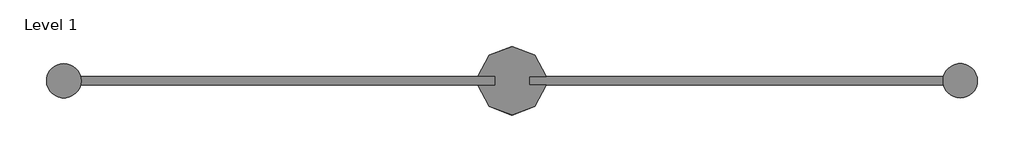
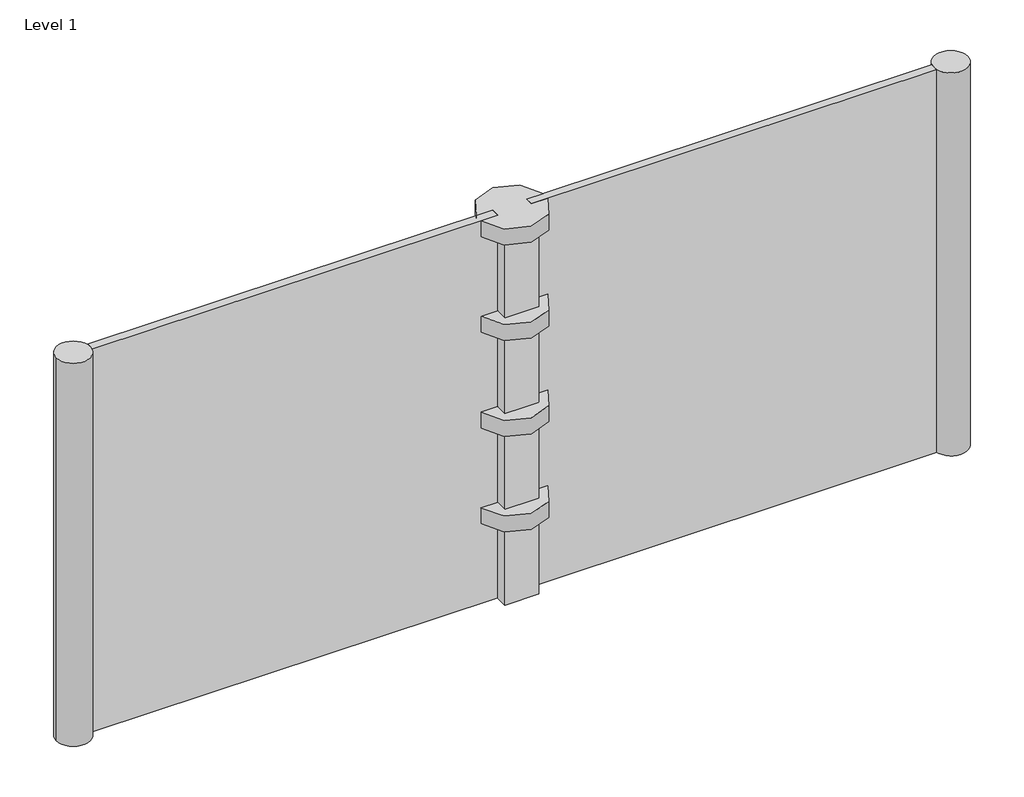
# One storey: 12 furniture elements.
"""IFC4 building model written with IfcOpenShell, lengths in millimetres."""

import ifcopenshell
import ifcopenshell.guid

model = None  # the IFC model being written
_history = None  # IfcOwnerHistory: only IFC2X3 demands one
_inside = {}  # id of a spatial element -> (the spatial element, [elements in it])
_under = {}  # id of a project, library or spatial element -> (it, [spatial elements below it])
_declared = {}  # id of a project -> (the project, [libraries it declares])
_typed = {}  # id of a type object -> (the type object, [elements of that type])
_made_of = {}  # id of a material, layer set ... -> (it, [elements and type objects made of it])


def new_model(schema):
    """Start an empty IFC model of exactly this schema.

    Asked for "IFC4X3", IfcOpenShell would pick the latest addendum, in which some entities
    have other attributes; the version numbers below select the first issue.
    IFC2X3 requires an IfcOwnerHistory on every rooted entity: one is made here for all.
    """
    global model, _history
    if schema == "IFC4X3":
        model = ifcopenshell.file(schema_version=(4, 3, 0, 0))
    else:
        model = ifcopenshell.file(schema=schema)
    _inside.clear()
    _under.clear()
    _declared.clear()
    _typed.clear()
    _made_of.clear()
    _history = None
    if model.schema == "IFC2X3":
        org = make("IfcOrganization", Name="unknown")
        user = make(
            "IfcPersonAndOrganization",
            ThePerson=make("IfcPerson", FamilyName="unknown"),
            TheOrganization=org,
        )
        app = make(
            "IfcApplication",
            ApplicationDeveloper=org,
            Version="unknown",
            ApplicationFullName="unknown",
            ApplicationIdentifier="unknown",
        )
        _history = make(
            "IfcOwnerHistory",
            OwningUser=user,
            OwningApplication=app,
            ChangeAction="ADDED",
            CreationDate=0,
        )
    return model


def make(cls, **values):
    """One entity of the class cls with the attributes given. An attribute that is None is left unset."""
    return model.create_entity(
        cls, **{name: value for name, value in values.items() if value is not None}
    )


def rooted(cls, **values):
    """An entity with a GlobalId (a new one), such as an element, a storey or a relation."""
    return make(cls, GlobalId=ifcopenshell.guid.new(), OwnerHistory=_history, **values)


def si_unit(unit_type, name, prefix=None):
    """IfcSIUnit, for example si_unit("LENGTHUNIT", "METRE", prefix="MILLI")."""
    return make("IfcSIUnit", UnitType=unit_type, Prefix=prefix, Name=name)


def assignment(units):
    """IfcUnitAssignment: the units of a project."""
    return None if units is None else make("IfcUnitAssignment", Units=units)


def point(xyz):
    """IfcCartesianPoint."""
    return None if xyz is None else make("IfcCartesianPoint", Coordinates=xyz)


def direction(xyz):
    """IfcDirection."""
    return None if xyz is None else make("IfcDirection", DirectionRatios=xyz)


def frame(location, z_axis=None, x_axis=None):
    """IfcAxis2Placement3D, a coordinate frame: its origin and axes. An axis left out is left unset."""
    return make(
        "IfcAxis2Placement3D",
        Location=point(location),
        Axis=direction(z_axis),
        RefDirection=direction(x_axis),
    )


def frame_2d(location, x_axis=None):
    """IfcAxis2Placement2D, a coordinate frame in the plane: its origin and x axis."""
    return make(
        "IfcAxis2Placement2D", Location=point(location), RefDirection=direction(x_axis)
    )


def origin():
    """The frame at (0, 0, 0) with its axes left unset."""
    return frame((0.0, 0.0, 0.0))


def origin_with_axes():
    """The frame at (0, 0, 0) with the z axis (0, 0, 1) and the x axis (1, 0, 0) written out."""
    return frame((0.0, 0.0, 0.0), z_axis=(0.0, 0.0, 1.0), x_axis=(1.0, 0.0, 0.0))


def origin_2d():
    """The frame at (0, 0) in the plane with its x axis left unset."""
    return frame_2d((0.0, 0.0))


def place(relative_to, where):
    """IfcLocalPlacement: puts the frame where relative to a parent placement (None: the world)."""
    return make(
        "IfcLocalPlacement", PlacementRelTo=relative_to, RelativePlacement=where
    )


def context(
    kind, dimensions, precision=None, world=None, true_north=None, identifier=None
):
    """IfcGeometricRepresentationContext, for example the 3D "Model" context."""
    return make(
        "IfcGeometricRepresentationContext",
        ContextIdentifier=identifier,
        ContextType=kind,
        CoordinateSpaceDimension=dimensions,
        Precision=precision,
        WorldCoordinateSystem=world,
        TrueNorth=true_north,
    )


def project(units=None, contexts=None):
    """IfcProject with its units and contexts."""
    return rooted(
        "IfcProject",
        Name="project",
        RepresentationContexts=contexts,
        UnitsInContext=assignment(units),
    )


def spatial(cls, under=None, at=None, **own):
    """A site, building, storey or space (cls), placed at a placement, below another one or the project."""
    s = rooted(cls, ObjectPlacement=at, **own)
    if under is not None:
        _under.setdefault(under.id(), (under, []))[1].append(s)
    return s


def polyline(points):
    """IfcPolyline through the points."""
    return make("IfcPolyline", Points=[point(p) for p in points])


def circle_curve(where, radius):
    """IfcCircle in the frame where."""
    return make("IfcCircle", Position=where, Radius=radius)


def trimmed(basis, trim1, trim2, sense, master):
    """IfcTrimmedCurve: the piece of a basis curve between two trims."""
    return make(
        "IfcTrimmedCurve",
        BasisCurve=basis,
        Trim1=trim1,
        Trim2=trim2,
        SenseAgreement=sense,
        MasterRepresentation=master,
    )


def segment(curve, same_sense, transition):
    """IfcCompositeCurveSegment."""
    return make(
        "IfcCompositeCurveSegment",
        Transition=transition,
        SameSense=same_sense,
        ParentCurve=curve,
    )


def composite_curve(segments, self_intersect=None):
    """IfcCompositeCurve: segments joined end to end."""
    return make("IfcCompositeCurve", Segments=segments, SelfIntersect=self_intersect)


def outline(outer, holes=None, kind="AREA"):
    """IfcArbitraryClosedProfileDef: a profile drawn as a closed curve; with holes, ...WithVoids."""
    if holes is None:
        return make("IfcArbitraryClosedProfileDef", ProfileType=kind, OuterCurve=outer)
    return make(
        "IfcArbitraryProfileDefWithVoids",
        ProfileType=kind,
        OuterCurve=outer,
        InnerCurves=holes,
    )


def extrude(swept, where, along, depth):
    """IfcExtrudedAreaSolid: the profile swept, set in the frame where, extruded along a direction by depth."""
    return make(
        "IfcExtrudedAreaSolid",
        SweptArea=swept,
        Position=where,
        ExtrudedDirection=direction(along),
        Depth=depth,
    )


def shape(context_of_items, identifier, shape_type, items):
    """IfcShapeRepresentation: the items that make up one representation, for example the "Body"."""
    return make(
        "IfcShapeRepresentation",
        ContextOfItems=context_of_items,
        RepresentationIdentifier=identifier,
        RepresentationType=shape_type,
        Items=items,
    )


def source(mapping_origin, context_of_items, identifier, shape_type, items):
    """IfcRepresentationMap: a shape defined once, which mapped items show again and again."""
    return make(
        "IfcRepresentationMap",
        MappingOrigin=mapping_origin,
        MappedRepresentation=shape(context_of_items, identifier, shape_type, items),
    )


def transform(
    local_origin,
    x_axis=None,
    y_axis=None,
    z_axis=None,
    scale=None,
    scale2=None,
    scale3=None,
    uniform=True,
):
    """IfcCartesianTransformationOperator3D, or its non-uniform kind. x_axis, y_axis, z_axis: its Axis1, 2, 3."""
    if uniform:
        return make(
            "IfcCartesianTransformationOperator3D",
            Axis1=direction(x_axis),
            Axis2=direction(y_axis),
            LocalOrigin=point(local_origin),
            Scale=scale,
            Axis3=direction(z_axis),
        )
    return make(
        "IfcCartesianTransformationOperator3DnonUniform",
        Axis1=direction(x_axis),
        Axis2=direction(y_axis),
        LocalOrigin=point(local_origin),
        Scale=scale,
        Axis3=direction(z_axis),
        Scale2=scale2,
        Scale3=scale3,
    )


def mapped(mapping_source, mapping_target):
    """IfcMappedItem: shows the shape of a source again, moved by a transform."""
    return make(
        "IfcMappedItem", MappingSource=mapping_source, MappingTarget=mapping_target
    )


def made_of(thing, what):
    """Note that an element or type object is made of a material, layer set ...; save() writes the relation."""
    if what is not None:
        _made_of.setdefault(what.id(), (what, []))[1].append(thing)
    return thing


def element(
    cls,
    number,
    at=None,
    inside=None,
    cuts=None,
    type_object=None,
    material=None,
    context=None,
    identifier="Body",
    shape_type=None,
    held_by="IfcProductDefinitionShape",
    body=None,
    shapes=None,
    **own,
):
    """One element of the class cls, such as IfcWall. Its Tag is "e" and its number.

    at: its placement. inside: the storey or other place that contains it. cuts: it is an
    opening in that element (IfcRelVoidsElement). A single representation is given by context,
    identifier, shape_type and body (its items); several are given by shapes. held_by: the class
    of the entity that holds the representations. save() writes the other relations.
    """
    e = rooted(cls, Tag="e%d" % number, ObjectPlacement=at, **own)
    if body is not None:
        shapes = [shape(context, identifier, shape_type, body)]
    if shapes is not None:
        e.Representation = make(held_by, Representations=shapes)
    if inside is not None:
        _inside.setdefault(inside.id(), (inside, []))[1].append(e)
    if cuts is not None:
        rooted(
            "IfcRelVoidsElement", RelatingBuildingElement=cuts, RelatedOpeningElement=e
        )
    if type_object is not None:
        _typed.setdefault(type_object.id(), (type_object, []))[1].append(e)
    return made_of(e, material)


def aggregate(whole, parts):
    """IfcRelAggregates: a whole, such as a stair, and the parts it consists of."""
    return rooted("IfcRelAggregates", RelatingObject=whole, RelatedObjects=parts)


def save(model, path):
    """Write the relations noted so far, then the file.

    IfcRelAggregates (storeys below a building ...), IfcRelContainedInSpatialStructure (elements
    in a storey), IfcRelDefinesByType, IfcRelAssociatesMaterial and IfcRelDeclares: one each for
    every whole, place, type object, material and project.
    """
    for whole, parts in _under.values():
        aggregate(whole, parts)
    for where, things in _inside.values():
        rooted(
            "IfcRelContainedInSpatialStructure",
            RelatedElements=things,
            RelatingStructure=where,
        )
    for kind, things in _typed.values():
        rooted("IfcRelDefinesByType", RelatedObjects=things, RelatingType=kind)
    for what, things in _made_of.values():
        rooted("IfcRelAssociatesMaterial", RelatedObjects=things, RelatingMaterial=what)
    for by, libraries in _declared.values():
        rooted("IfcRelDeclares", RelatingContext=by, RelatedDefinitions=libraries)
    model.write(path)


def block_block_369038a1(model_context):
    return source(origin(), model_context, "Body", "SweptSolid", [
        extrude(outline(polyline([(50.8, -50.8), (-50.8, -50.8), (-50.8, 50.8), (50.8, 50.8), (50.8, -50.8)])), origin_with_axes(), (0.0, 0.0, 1.0), 254.0),
    ])


def fence_fence_31714da0(model_context):
    return source(origin(), model_context, "Body", "SweptSolid", [
        extrude(outline(polyline([(609.6, 12.7), (609.6, -12.7), (-609.6, -12.7), (-609.6, 12.7), (609.6, 12.7)])), origin_with_axes(), (0.0, 0.0, 1.0), 1219.2),
    ])


def post_post_047d219c(model_context):
    return source(origin(), model_context, "Body", "SweptSolid", [
        extrude(outline(composite_curve([segment(trimmed(circle_curve(origin_2d(), 50.8), [point((-50.8, 0.0))], [point((50.8, 0.0))], False, "CARTESIAN"), True, "CONTINUOUS"), segment(trimmed(circle_curve(origin_2d(), 50.8), [point((50.8, 0.0))], [point((-50.8, 0.0))], False, "CARTESIAN"), True, "CONTINUOUS")], self_intersect=False)), origin_with_axes(), (0.0, 0.0, 1.0), 1219.2),
    ])


def spacer_spacer_4aab492f(model_context):
    return source(origin(), model_context, "Body", "SweptSolid", [
        extrude(outline(composite_curve([segment(trimmed(circle_curve(origin_2d(), 101.6), [point((100.803125, -12.7))], [point((-100.803125, -12.7))], False, "CARTESIAN"), True, "CONTINUOUS"), segment(polyline([(-100.803125, -12.7), (-50.8, -12.7), (-50.8, 12.7), (-100.803125, 12.7)]), True, "CONTINUOUS"), segment(trimmed(circle_curve(origin_2d(), 101.6), [point((-100.803125, 12.7))], [point((100.803125, 12.7))], False, "CARTESIAN"), True, "CONTINUOUS"), segment(polyline([(100.803125, 12.7), (50.8, 12.7), (50.8, -12.7), (100.803125, -12.7)]), True, "CONTINUOUS")], self_intersect=False)), origin_with_axes(), (0.0, 0.0, 1.0), 50.8),
    ])


model = new_model("IFC4")

# Units and contexts
model_context = context("Model", 3, world=origin())
ifc_project = project(units=[si_unit("LENGTHUNIT", "METRE", prefix="MILLI")], contexts=[model_context])

# Site, building, storey
site = spatial("IfcSite", under=ifc_project)
building = spatial("IfcBuilding", under=site)
storey = spatial("IfcBuildingStorey", under=building, Name="Level 1", Elevation=0.0)

# Furniture
placement = place(None, origin())
block_block_shape = block_block_369038a1(model_context)
element("IfcFurniture", 1, ObjectType="Block : Block", at=placement, inside=storey, context=model_context, shape_type="MappedRepresentation", body=[
    mapped(block_block_shape, transform((2856.9397059, 2538.6926471, 0.0), x_axis=(1.0, 0.0, 0.0), y_axis=(0.0, 1.0, 0.0), z_axis=(0.0, 0.0, 1.0))),
])
element("IfcFurniture", 2, ObjectType="Block : Block", at=placement, inside=storey, context=model_context, shape_type="MappedRepresentation", body=[
    mapped(block_block_shape, transform((2856.9397059, 2538.6926471, 304.8), x_axis=(1.0, 0.0, 0.0), y_axis=(0.0, 1.0, 0.0), z_axis=(0.0, 0.0, 1.0))),
])
element("IfcFurniture", 3, ObjectType="Block : Block", at=placement, inside=storey, context=model_context, shape_type="MappedRepresentation", body=[
    mapped(block_block_shape, transform((2856.9397059, 2538.6926471, 609.6), x_axis=(1.0, 0.0, 0.0), y_axis=(0.0, 1.0, 0.0), z_axis=(0.0, 0.0, 1.0))),
])
element("IfcFurniture", 4, ObjectType="Block : Block", at=placement, inside=storey, context=model_context, shape_type="MappedRepresentation", body=[
    mapped(block_block_shape, transform((2856.9397059, 2538.6926471, 914.4), x_axis=(1.0, 0.0, 0.0), y_axis=(0.0, 1.0, 0.0), z_axis=(0.0, 0.0, 1.0))),
])
fence_fence_shape = fence_fence_31714da0(model_context)
element("IfcFurniture", 5, ObjectType="Fence : Fence", at=placement, inside=storey, context=model_context, shape_type="MappedRepresentation", body=[
    mapped(fence_fence_shape, transform((2196.5397059, 2538.6926471, 0.0), x_axis=(1.0, 0.0, 0.0), y_axis=(0.0, 1.0, 0.0), z_axis=(0.0, 0.0, 1.0))),
])
element("IfcFurniture", 6, ObjectType="Fence : Fence", at=placement, inside=storey, context=model_context, shape_type="MappedRepresentation", body=[
    mapped(fence_fence_shape, transform((3517.3397059, 2538.6926471, 0.0), x_axis=(1.0, 0.0, 0.0), y_axis=(0.0, 1.0, 0.0), z_axis=(0.0, 0.0, 1.0))),
])
post_post_shape = post_post_047d219c(model_context)
element("IfcFurniture", 7, ObjectType="Post : Post", at=placement, inside=storey, context=model_context, shape_type="MappedRepresentation", body=[
    mapped(post_post_shape, transform((4177.7397059, 2538.6926471, 0.0), x_axis=(-1.0, 0.0, 0.0), y_axis=(0.0, -1.0, 0.0), z_axis=(0.0, 0.0, 1.0))),
])
element("IfcFurniture", 8, ObjectType="Post : Post", at=placement, inside=storey, context=model_context, shape_type="MappedRepresentation", body=[
    mapped(post_post_shape, transform((1536.1397059, 2538.6926471, 0.0), x_axis=(1.0, 0.0, 0.0), y_axis=(0.0, 1.0, 0.0), z_axis=(0.0, 0.0, 1.0))),
])
spacer_spacer_shape = spacer_spacer_4aab492f(model_context)
element("IfcFurniture", 9, ObjectType="Spacer : Spacer", at=placement, inside=storey, context=model_context, shape_type="MappedRepresentation", body=[
    mapped(spacer_spacer_shape, transform((2856.9397059, 2538.6926471, 254.0), x_axis=(1.0, 0.0, 0.0), y_axis=(0.0, 1.0, 0.0), z_axis=(0.0, 0.0, 1.0))),
])
element("IfcFurniture", 10, ObjectType="Spacer : Spacer", at=placement, inside=storey, context=model_context, shape_type="MappedRepresentation", body=[
    mapped(spacer_spacer_shape, transform((2856.9397059, 2538.6926471, 558.8), x_axis=(1.0, 0.0, 0.0), y_axis=(0.0, 1.0, 0.0), z_axis=(0.0, 0.0, 1.0))),
])
element("IfcFurniture", 11, ObjectType="Spacer : Spacer", at=placement, inside=storey, context=model_context, shape_type="MappedRepresentation", body=[
    mapped(spacer_spacer_shape, transform((2856.9397059, 2538.6926471, 863.6), x_axis=(1.0, 0.0, 0.0), y_axis=(0.0, 1.0, 0.0), z_axis=(0.0, 0.0, 1.0))),
])
element("IfcFurniture", 12, ObjectType="Spacer : Spacer", at=placement, inside=storey, context=model_context, shape_type="MappedRepresentation", body=[
    mapped(spacer_spacer_shape, transform((2856.9397059, 2538.6926471, 1168.4), x_axis=(1.0, 0.0, 0.0), y_axis=(0.0, 1.0, 0.0), z_axis=(0.0, 0.0, 1.0))),
])

save(model, "model.ifc")
